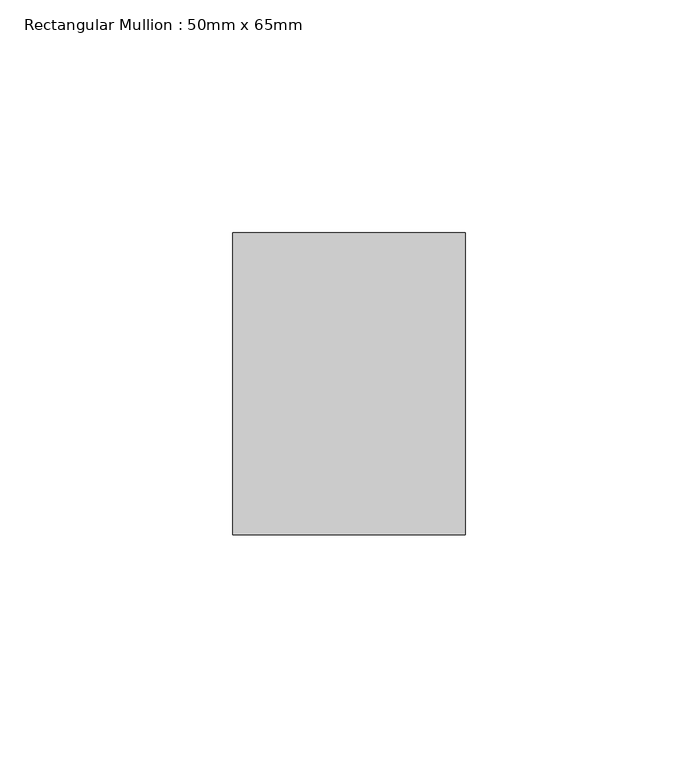
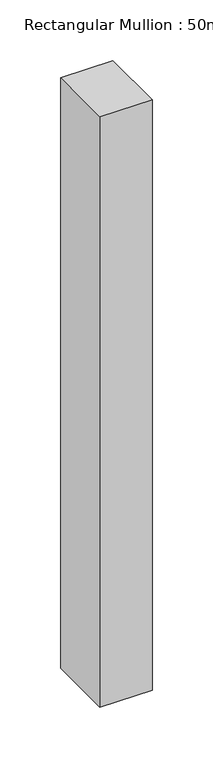
"""IFC4 building model written with IfcOpenShell, lengths in millimetres: member geometry, Rectangular Mullion : 50mm x 65mm."""

from ifc_helpers import new_model, si_unit, frame, origin, place, context, project, spatial, polyline, outline, extrude, source, transform, mapped, element, save


def rectangular_mullion_50mm_x_65mm_29dd55c3(model_context):
    return source(origin(), model_context, "Body", "SweptSolid", [
        extrude(outline(polyline([(25.0, 32.5), (25.0, -32.5), (-25.0, -32.5), (-25.0, 32.5), (25.0, 32.5)])), frame((0.0, 0.0, -595.7759064), z_axis=(0.0, 0.0, 1.0), x_axis=(1.0, 0.0, 0.0)), (0.0, 0.0, 1.0), 595.7759064),
    ])


if __name__ == "__main__":
    model = new_model("IFC4")
    model_context = context("Model", 3, world=origin())
    ifc_project = project(units=[si_unit("LENGTHUNIT", "METRE", prefix="MILLI")], contexts=[model_context])
    site = spatial("IfcSite", under=ifc_project)
    building = spatial("IfcBuilding", under=site)
    placement = place(None, origin())
    rectangular_mullion_50mm_x_65mm_shape = rectangular_mullion_50mm_x_65mm_29dd55c3(model_context)
    element("IfcMember", 1, ObjectType="Rectangular Mullion : 50mm x 65mm", at=placement, inside=building, context=model_context, shape_type="MappedRepresentation", body=[
        mapped(rectangular_mullion_50mm_x_65mm_shape, transform((0.0, 0.0, 0.0), x_axis=(1.0, 0.0, 0.0), y_axis=(0.0, 1.0, 0.0), z_axis=(0.0, 0.0, 1.0))),
    ])
    save(model, "model.ifc")
